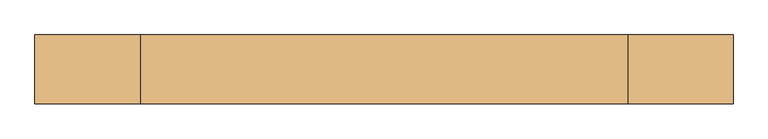
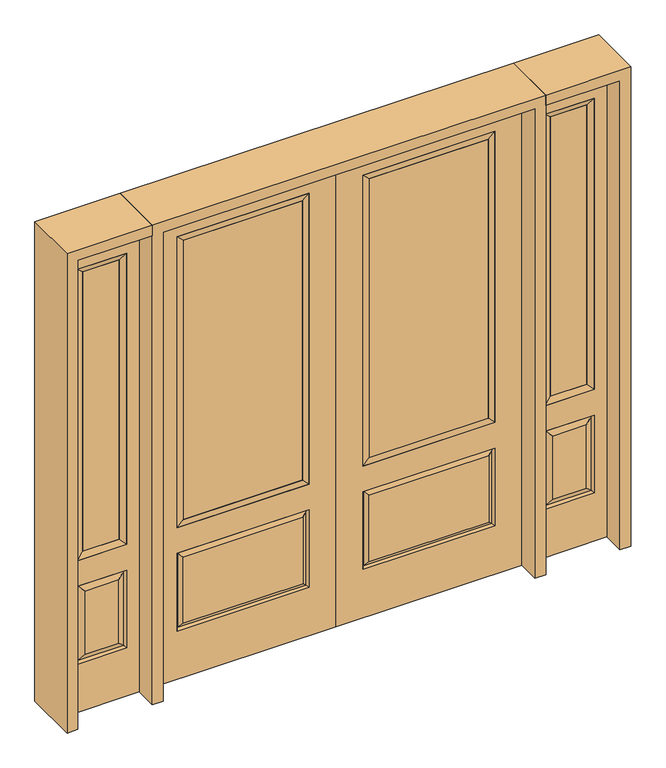
"""IFC4 building model written with IfcOpenShell, lengths in millimetres: door geometry."""

from ifc_helpers import new_model, si_unit, frame, origin, place, context, project, spatial, polyline, outline, extrude, faceted_brep, source, transform, mapped, element, save


def door_ea0f8a16(model_context):
    return source(origin(), model_context, "Body", "SolidModel", [
        faceted_brep([(643.7661499, -12.7912373, 216.6588501), (626.26875, -22.225, 234.15625), (135.73125, -22.225, 234.15625), (118.2338501, -12.7912373, 216.6588501), (111.125, -22.225, 209.55), (650.875, -22.225, 209.55), (650.875, -22.225, 546.1), (643.7661499, -12.7912373, 538.9911499), (0.0, -22.225, 2032.0), (0.0, -22.225, 0.0), (762.0, -22.225, 0.0), (762.0, -22.225, 2032.0), (111.125, -22.225, 546.1), (111.125, -22.225, 1917.7), (650.875, -22.225, 1917.7), (650.875, -22.225, 657.098), (111.125, -22.225, 657.098), (626.26875, -22.225, 521.49375), (135.73125, -22.225, 521.49375), (118.2338501, -12.7912373, 538.9911499), (762.0, 22.225, 0.0), (762.0, 22.225, 2032.0), (0.0, 22.225, 0.0), (0.0, 22.225, 2032.0), (111.125, 22.225, 657.098), (111.125, 22.225, 1917.7), (650.875, 22.225, 657.098), (650.875, 22.225, 1917.7), (135.73125, 22.225, 234.15625), (135.73125, 22.225, 521.49375), (626.26875, 22.225, 521.49375), (626.26875, 22.225, 234.15625), (650.875, 22.225, 209.55), (650.875, 22.225, 546.1), (111.125, 22.225, 546.1), (111.125, 22.225, 209.55), (118.2338501, 12.7912373, 216.6588501), (643.7661499, 12.7912373, 216.6588501), (118.2338501, 12.7912373, 538.9911499), (643.7661499, 12.7912373, 538.9911499)], [[[0, 1, 2, 3]], [[3, 4, 5, 0]], [[5, 6, 7, 0]], [[8, 9, 10, 11], [4, 12, 6, 5], [13, 14, 15, 16]], [[1, 17, 18, 2]], [[3, 19, 12, 4]], [[2, 18, 19, 3]], [[0, 7, 17, 1]], [[6, 12, 19, 7]], [[7, 19, 18, 17]], [[10, 20, 21, 11]], [[9, 22, 20, 10]], [[8, 23, 22, 9]], [[16, 24, 25, 13]], [[15, 26, 24, 16]], [[14, 27, 26, 15]], [[28, 29, 30, 31]], [[23, 21, 20, 22], [25, 24, 26, 27], [32, 33, 34, 35]], [[32, 35, 36, 37]], [[35, 34, 38, 36]], [[39, 38, 34, 33]], [[37, 39, 33, 32]], [[36, 28, 31, 37]], [[31, 30, 39, 37]], [[30, 29, 38, 39]], [[36, 38, 29, 28]], [[11, 21, 23, 8]], [[13, 25, 27, 14]]]),
        faceted_brep([(650.875, -22.225, 1917.7), (650.875, -22.225, 657.098), (650.875, 22.225, 657.098), (650.875, 22.225, 1917.7), (111.125, -22.225, 657.098), (111.125, 22.225, 657.098), (136.525, 5.08, 682.498), (625.475, 5.08, 682.498), (111.125, -22.225, 1917.7), (111.125, 22.225, 1917.7), (625.475, -20.32, 682.498), (136.525, -20.32, 682.498), (625.475, -20.32, 1892.3), (136.525, -20.32, 1892.3), (625.475, 5.08, 1892.3), (136.525, 5.08, 1892.3)], [[[0, 1, 2, 3]], [[1, 4, 5, 2]], [[2, 5, 6, 7]], [[4, 8, 9, 5]], [[10, 11, 4, 1]], [[12, 10, 1, 0]], [[11, 13, 8, 4]], [[7, 6, 11, 10]], [[14, 7, 10, 12]], [[6, 15, 13, 11]], [[3, 2, 7, 14]], [[5, 9, 15, 6]], [[8, 0, 3, 9]], [[13, 12, 0, 8]], [[15, 14, 12, 13]], [[9, 3, 14, 15]]]),
        extrude(outline(polyline([(136.525, -20.32), (136.525, 5.08), (625.475, 5.08), (625.475, -20.32), (136.525, -20.32)])), frame((0.0, 0.0, 682.498), z_axis=(0.0, 0.0, 1.0), x_axis=(1.0, 0.0, 0.0)), (0.0, 0.0, 1.0), 1209.802),
        faceted_brep([(806.45, -22.225, 0.0), (1111.25, -22.225, 0.0), (1111.25, -22.225, 2032.0), (806.45, -22.225, 2032.0), (1059.18, -22.225, 1919.224), (1059.18, -22.225, 657.098), (858.52, -22.225, 657.098), (858.52, -22.225, 1919.224), (1059.18, -22.225, 209.55), (858.52, -22.225, 209.55), (858.52, -22.225, 546.1), (1059.18, -22.225, 546.1), (890.2351001, -22.225, 241.2651001), (1027.4648999, -22.225, 241.2651001), (1027.4648999, -22.225, 514.3848999), (890.2351001, -22.225, 514.3848999), (806.45, 22.225, 0.0), (806.45, 22.225, 2032.0), (1111.25, 22.225, 2032.0), (1111.25, 22.225, 0.0), (1059.18, 22.225, 1919.224), (858.52, 22.225, 1919.224), (858.52, 22.225, 657.098), (1059.18, 22.225, 657.098), (858.52, 22.225, 209.55), (1059.18, 22.225, 209.55), (1059.18, 22.225, 546.1), (858.52, 22.225, 546.1), (1027.4648999, 22.225, 241.2651001), (890.2351001, 22.225, 241.2651001), (890.2351001, 22.225, 514.3848999), (1027.4648999, 22.225, 514.3848999), (1052.0711499, 12.7912373, 216.6588501), (865.6288501, 12.7912373, 216.6588501), (865.6288501, 12.7912373, 538.9911499), (1052.0711499, 12.7912373, 538.9911499), (865.6288501, -12.7912373, 216.6588501), (1052.0711499, -12.7912373, 216.6588501), (865.6288501, -12.7912373, 538.9911499), (1052.0711499, -12.7912373, 538.9911499)], [[[0, 1, 2, 3], [4, 5, 6, 7], [8, 9, 10, 11]], [[12, 13, 14, 15]], [[16, 17, 18, 19], [20, 21, 22, 23], [24, 25, 26, 27]], [[28, 29, 30, 31]], [[1, 0, 16, 19]], [[2, 1, 19, 18]], [[3, 2, 18, 17]], [[0, 3, 17, 16]], [[5, 4, 20, 23]], [[6, 5, 23, 22]], [[7, 6, 22, 21]], [[4, 7, 21, 20]], [[32, 33, 29, 28]], [[33, 32, 25, 24]], [[29, 33, 34, 30]], [[33, 24, 27, 34]], [[30, 34, 35, 31]], [[34, 27, 26, 35]], [[32, 28, 31, 35]], [[25, 32, 35, 26]], [[12, 36, 37, 13]], [[37, 36, 9, 8]], [[36, 12, 15, 38]], [[9, 36, 38, 10]], [[38, 15, 14, 39]], [[10, 38, 39, 11]], [[13, 37, 39, 14]], [[37, 8, 11, 39]]]),
        faceted_brep([(858.52, 22.225, 1919.224), (858.52, -22.225, 1919.224), (1059.18, -22.225, 1919.224), (1059.18, 22.225, 1919.224), (883.92, 12.7, 1893.824), (1033.78, 12.7, 1893.824), (883.92, -12.7, 1893.824), (1033.78, -12.7, 1893.824), (1059.18, -22.225, 657.098), (1059.18, 22.225, 657.098), (1033.78, 12.7, 682.498), (1033.78, -12.7, 682.498), (858.52, -22.225, 657.098), (858.52, 22.225, 657.098), (883.92, 12.7, 682.498), (883.92, -12.7, 682.498)], [[[0, 1, 2, 3]], [[4, 0, 3, 5]], [[6, 4, 5, 7]], [[1, 6, 7, 2]], [[3, 2, 8, 9]], [[5, 3, 9, 10]], [[7, 5, 10, 11]], [[2, 7, 11, 8]], [[9, 8, 12, 13]], [[10, 9, 13, 14]], [[11, 10, 14, 15]], [[8, 11, 15, 12]], [[13, 12, 1, 0]], [[14, 13, 0, 4]], [[15, 14, 4, 6]], [[12, 15, 6, 1]]]),
        extrude(outline(polyline([(1033.78, -12.7), (883.92, -12.7), (883.92, 12.7), (1033.78, 12.7), (1033.78, -12.7)])), frame((0.0, 0.0, 682.498), z_axis=(0.0, 0.0, 1.0), x_axis=(1.0, 0.0, 0.0)), (0.0, 0.0, 1.0), 1211.326),
        faceted_brep([(-1111.25, -22.225, 0.0), (-806.45, -22.225, 0.0), (-806.45, -22.225, 2032.0), (-1111.25, -22.225, 2032.0), (-858.52, -22.225, 1919.224), (-858.52, -22.225, 657.098), (-1059.18, -22.225, 657.098), (-1059.18, -22.225, 1919.224), (-858.52, -22.225, 209.55), (-1059.18, -22.225, 209.55), (-1059.18, -22.225, 546.1), (-858.52, -22.225, 546.1), (-1027.4648999, -22.225, 241.2651001), (-890.2351001, -22.225, 241.2651001), (-890.2351001, -22.225, 514.3848999), (-1027.4648999, -22.225, 514.3848999), (-1111.25, 22.225, 0.0), (-1111.25, 22.225, 2032.0), (-806.45, 22.225, 2032.0), (-806.45, 22.225, 0.0), (-858.52, 22.225, 1919.224), (-1059.18, 22.225, 1919.224), (-1059.18, 22.225, 657.098), (-858.52, 22.225, 657.098), (-1059.18, 22.225, 209.55), (-858.52, 22.225, 209.55), (-858.52, 22.225, 546.1), (-1059.18, 22.225, 546.1), (-890.2351001, 22.225, 241.2651001), (-1027.4648999, 22.225, 241.2651001), (-1027.4648999, 22.225, 514.3848999), (-890.2351001, 22.225, 514.3848999), (-865.6288501, 12.7912373, 216.6588501), (-1052.0711499, 12.7912373, 216.6588501), (-1052.0711499, 12.7912373, 538.9911499), (-865.6288501, 12.7912373, 538.9911499), (-1052.0711499, -12.7912373, 216.6588501), (-865.6288501, -12.7912373, 216.6588501), (-1052.0711499, -12.7912373, 538.9911499), (-865.6288501, -12.7912373, 538.9911499)], [[[0, 1, 2, 3], [4, 5, 6, 7], [8, 9, 10, 11]], [[12, 13, 14, 15]], [[16, 17, 18, 19], [20, 21, 22, 23], [24, 25, 26, 27]], [[28, 29, 30, 31]], [[1, 0, 16, 19]], [[2, 1, 19, 18]], [[3, 2, 18, 17]], [[0, 3, 17, 16]], [[5, 4, 20, 23]], [[6, 5, 23, 22]], [[7, 6, 22, 21]], [[4, 7, 21, 20]], [[32, 33, 29, 28]], [[33, 32, 25, 24]], [[29, 33, 34, 30]], [[33, 24, 27, 34]], [[30, 34, 35, 31]], [[34, 27, 26, 35]], [[32, 28, 31, 35]], [[25, 32, 35, 26]], [[12, 36, 37, 13]], [[37, 36, 9, 8]], [[36, 12, 15, 38]], [[9, 36, 38, 10]], [[38, 15, 14, 39]], [[10, 38, 39, 11]], [[13, 37, 39, 14]], [[37, 8, 11, 39]]]),
        faceted_brep([(-1059.18, 22.225, 1919.224), (-1059.18, -22.225, 1919.224), (-858.52, -22.225, 1919.224), (-858.52, 22.225, 1919.224), (-1033.78, 12.7, 1893.824), (-883.92, 12.7, 1893.824), (-1033.78, -12.7, 1893.824), (-883.92, -12.7, 1893.824), (-858.52, -22.225, 657.098), (-858.52, 22.225, 657.098), (-883.92, 12.7, 682.498), (-883.92, -12.7, 682.498), (-1059.18, -22.225, 657.098), (-1059.18, 22.225, 657.098), (-1033.78, 12.7, 682.498), (-1033.78, -12.7, 682.498)], [[[0, 1, 2, 3]], [[4, 0, 3, 5]], [[6, 4, 5, 7]], [[1, 6, 7, 2]], [[3, 2, 8, 9]], [[5, 3, 9, 10]], [[7, 5, 10, 11]], [[2, 7, 11, 8]], [[9, 8, 12, 13]], [[10, 9, 13, 14]], [[11, 10, 14, 15]], [[8, 11, 15, 12]], [[13, 12, 1, 0]], [[14, 13, 0, 4]], [[15, 14, 4, 6]], [[12, 15, 6, 1]]]),
        extrude(outline(polyline([(-883.92, -12.7), (-1033.78, -12.7), (-1033.78, 12.7), (-883.92, 12.7), (-883.92, -12.7)])), frame((0.0, 0.0, 682.498), z_axis=(0.0, 0.0, 1.0), x_axis=(1.0, 0.0, 0.0)), (0.0, 0.0, 1.0), 1211.326),
        faceted_brep([(-643.7661499, -12.7912373, 216.6588501), (-118.2338501, -12.7912373, 216.6588501), (-135.73125, -22.225, 234.15625), (-626.26875, -22.225, 234.15625), (-650.875, -22.225, 209.55), (-111.125, -22.225, 209.55), (-643.7661499, -12.7912373, 538.9911499), (-650.875, -22.225, 546.1), (-135.73125, -22.225, 521.49375), (-626.26875, -22.225, 521.49375), (0.0, -22.225, 2032.0), (-762.0, -22.225, 2032.0), (-762.0, -22.225, 0.0), (0.0, -22.225, 0.0), (-111.125, -22.225, 546.1), (-111.125, -22.225, 1917.7), (-111.125, -22.225, 657.098), (-650.875, -22.225, 657.098), (-650.875, -22.225, 1917.7), (-118.2338501, -12.7912373, 538.9911499), (-762.0, 22.225, 2032.0), (-762.0, 22.225, 0.0), (0.0, 22.225, 0.0), (0.0, 22.225, 2032.0), (-111.125, 22.225, 1917.7), (-111.125, 22.225, 657.098), (-650.875, 22.225, 657.098), (-650.875, 22.225, 1917.7), (-650.875, 22.225, 209.55), (-111.125, 22.225, 209.55), (-111.125, 22.225, 546.1), (-650.875, 22.225, 546.1), (-135.73125, 22.225, 234.15625), (-626.26875, 22.225, 234.15625), (-626.26875, 22.225, 521.49375), (-135.73125, 22.225, 521.49375), (-643.7661499, 12.7912373, 216.6588501), (-118.2338501, 12.7912373, 216.6588501), (-118.2338501, 12.7912373, 538.9911499), (-643.7661499, 12.7912373, 538.9911499)], [[[0, 1, 2, 3]], [[1, 0, 4, 5]], [[4, 0, 6, 7]], [[3, 2, 8, 9]], [[10, 11, 12, 13], [5, 4, 7, 14], [15, 16, 17, 18]], [[1, 5, 14, 19]], [[2, 1, 19, 8]], [[0, 3, 9, 6]], [[7, 6, 19, 14]], [[6, 9, 8, 19]], [[12, 11, 20, 21]], [[13, 12, 21, 22]], [[10, 13, 22, 23]], [[16, 15, 24, 25]], [[17, 16, 25, 26]], [[18, 17, 26, 27]], [[23, 22, 21, 20], [28, 29, 30, 31], [24, 27, 26, 25]], [[32, 33, 34, 35]], [[28, 36, 37, 29]], [[29, 37, 38, 30]], [[39, 31, 30, 38]], [[36, 28, 31, 39]], [[37, 36, 33, 32]], [[33, 36, 39, 34]], [[34, 39, 38, 35]], [[37, 32, 35, 38]], [[11, 10, 23, 20]], [[15, 18, 27, 24]]]),
        faceted_brep([(-650.875, -22.225, 1917.7), (-650.875, 22.225, 1917.7), (-650.875, 22.225, 657.098), (-650.875, -22.225, 657.098), (-111.125, 22.225, 657.098), (-111.125, -22.225, 657.098), (-625.475, 5.08, 682.498), (-136.525, 5.08, 682.498), (-111.125, 22.225, 1917.7), (-111.125, -22.225, 1917.7), (-625.475, -20.32, 682.498), (-136.525, -20.32, 682.498), (-625.475, -20.32, 1892.3), (-136.525, -20.32, 1892.3), (-625.475, 5.08, 1892.3), (-136.525, 5.08, 1892.3)], [[[0, 1, 2, 3]], [[3, 2, 4, 5]], [[2, 6, 7, 4]], [[5, 4, 8, 9]], [[10, 3, 5, 11]], [[12, 0, 3, 10]], [[11, 5, 9, 13]], [[6, 10, 11, 7]], [[14, 12, 10, 6]], [[7, 11, 13, 15]], [[1, 14, 6, 2]], [[4, 7, 15, 8]], [[9, 8, 1, 0]], [[13, 9, 0, 12]], [[15, 13, 12, 14]], [[8, 15, 14, 1]]]),
        extrude(outline(polyline([(-136.525, -20.32), (-625.475, -20.32), (-625.475, 5.08), (-136.525, 5.08), (-136.525, -20.32)])), frame((0.0, 0.0, 682.498), z_axis=(0.0, 0.0, 1.0), x_axis=(1.0, 0.0, 0.0)), (0.0, 0.0, 1.0), 1209.802),
        extrude(outline(polyline([(2032.0, -806.45), (2076.45, -806.45), (2076.45, -1155.7), (0.0, -1155.7), (0.0, -1111.25), (2032.0, -1111.25), (2032.0, -806.45)])), frame((0.0, -114.3, 0.0), z_axis=(0.0, 1.0, 0.0), x_axis=(0.0, 0.0, 1.0)), (0.0, 0.0, 1.0), 228.6),
        extrude(outline(polyline([(2076.45, -806.45), (0.0, -806.45), (0.0, -762.0), (2032.0, -762.0), (2032.0, 762.0), (0.0, 762.0), (0.0, 806.45), (2076.45, 806.45), (2076.45, -806.45)])), frame((0.0, -114.3, 0.0), z_axis=(0.0, 1.0, 0.0), x_axis=(0.0, 0.0, 1.0)), (0.0, 0.0, 1.0), 228.6),
        extrude(outline(polyline([(0.0, 1111.25), (0.0, 1155.7), (2076.45, 1155.7), (2076.45, 806.45), (2032.0, 806.45), (2032.0, 1111.25), (0.0, 1111.25)])), frame((0.0, -114.3, 0.0), z_axis=(0.0, 1.0, 0.0), x_axis=(0.0, 0.0, 1.0)), (0.0, 0.0, 1.0), 228.6),
    ])


if __name__ == "__main__":
    model = new_model("IFC4")
    model_context = context("Model", 3, world=origin())
    ifc_project = project(units=[si_unit("LENGTHUNIT", "METRE", prefix="MILLI")], contexts=[model_context])
    site = spatial("IfcSite", under=ifc_project)
    building = spatial("IfcBuilding", under=site)
    placement = place(None, origin())
    door_shape = door_ea0f8a16(model_context)
    element("IfcDoor", 1, at=placement, inside=building, context=model_context, shape_type="MappedRepresentation", body=[
        mapped(door_shape, transform((0.0, 0.0, 0.0), x_axis=(1.0, 0.0, 0.0), y_axis=(0.0, 1.0, 0.0), z_axis=(0.0, 0.0, 1.0))),
    ])
    save(model, "model.ifc")
